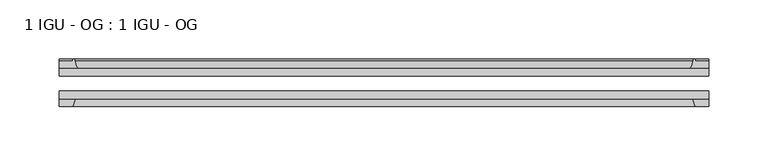
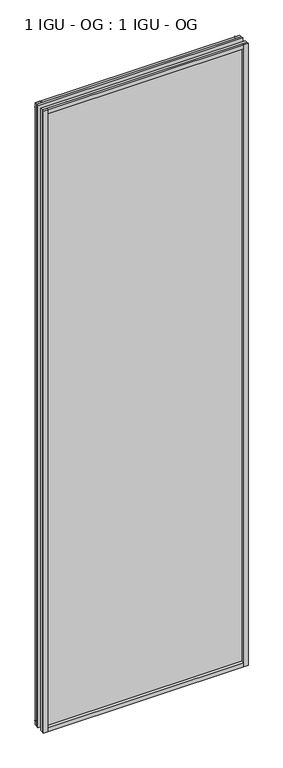
"""IFC4 building model written with IfcOpenShell, lengths in millimetres: plate geometry, 1 IGU - OG : 1 IGU - OG."""

from ifc_helpers import new_model, si_unit, point, frame, frame_2d, origin, place, context, project, spatial, polyline, circle_curve, trimmed, segment, composite_curve, outline, extrude, source, transform, mapped, element, save


def plate_1_igu_og_1_igu_og_2b685127(model_context):
    return source(origin(), model_context, "Body", "SweptSolid", [
        extrude(outline(polyline([(273.1261935, -31.75), (273.1261935, -38.1), (-273.1261935, -38.1), (-273.1261935, -31.75), (273.1261935, -31.75)])), frame((0.0, 0.0, -11.1125), z_axis=(0.0, 0.0, 1.0), x_axis=(1.0, 0.0, 0.0)), (0.0, 0.0, 1.0), 1755.775),
        extrude(outline(polyline([(-273.1261935, -12.7), (273.1261935, -12.7), (273.1261935, -19.05), (-273.1261935, -19.05), (-273.1261935, -12.7)])), frame((0.0, 0.0, -11.1125), z_axis=(0.0, 0.0, 1.0), x_axis=(1.0, 0.0, 0.0)), (0.0, 0.0, 1.0), 1755.775),
        extrude(outline(composite_curve([segment(polyline([(-257.7904026, -12.7), (-273.1261935, -12.7), (-273.1261935, -6.35), (-262.0136935, -6.35), (-262.0136935, -4.7751661), (-261.0842795, -4.7751661)]), True, "CONTINUOUS"), segment(trimmed(circle_curve(frame_2d((-261.0842795, -5.5371661)), 0.762), [point((-261.0842795, -4.7751661))], [point((-260.3420696, -5.364631))], False, "CARTESIAN"), True, "CONTINUOUS"), segment(trimmed(circle_curve(frame_2d((-224.7128514, 2.9177851)), 36.5792237), [point((-260.3420696, -5.364631))], [point((-257.7904026, -12.7))], True, "CARTESIAN"), True, "CONTINUOUS")], self_intersect=False)), frame((0.0, 0.0, -11.1125), z_axis=(0.0, 0.0, 1.0), x_axis=(1.0, 0.0, 0.0)), (0.0, 0.0, 1.0), 1755.775),
        extrude(outline(polyline([(-273.1261935, -38.1), (-259.9084164, -38.1), (-262.0136935, -44.45), (-273.1261935, -44.45), (-273.1261935, -38.1)])), frame((0.0, 0.0, -11.1125), z_axis=(0.0, 0.0, 1.0), x_axis=(1.0, 0.0, 0.0)), (0.0, 0.0, 1.0), 1755.775),
        extrude(outline(composite_curve([segment(trimmed(circle_curve(frame_2d((261.0842795, -5.5371661)), 0.762), [point((260.3420696, -5.364631))], [point((261.0842795, -4.7751661))], False, "CARTESIAN"), True, "CONTINUOUS"), segment(polyline([(261.0842795, -4.7751661), (262.0136935, -4.7751661), (262.0136935, -6.35), (273.1261935, -6.35), (273.1261935, -12.7), (257.7904026, -12.7)]), True, "CONTINUOUS"), segment(trimmed(circle_curve(frame_2d((224.7128514, 2.9177851)), 36.5792237), [point((257.7904026, -12.7))], [point((260.3420696, -5.364631))], True, "CARTESIAN"), True, "CONTINUOUS")], self_intersect=False)), frame((0.0, 0.0, -11.1125), z_axis=(0.0, 0.0, 1.0), x_axis=(1.0, 0.0, 0.0)), (0.0, 0.0, 1.0), 1755.775),
        extrude(outline(polyline([(259.9084164, -38.1), (273.1261935, -38.1), (273.1261935, -44.45), (262.0136935, -44.45), (259.9084164, -38.1)])), frame((0.0, 0.0, -11.1125), z_axis=(0.0, 0.0, 1.0), x_axis=(1.0, 0.0, 0.0)), (0.0, 0.0, 1.0), 1755.775),
        extrude(outline(composite_curve([segment(polyline([(-12.7, -11.1125), (-12.7, 4.2232909)]), True, "CONTINUOUS"), segment(trimmed(circle_curve(frame_2d((2.9177851, 37.3008421)), 36.5792237), [point((-12.7, 4.2232909))], [point((-5.364631, 1.6716239))], True, "CARTESIAN"), True, "CONTINUOUS"), segment(trimmed(circle_curve(frame_2d((-5.5371661, 0.929414)), 0.762), [point((-5.364631, 1.6716239))], [point((-4.7751661, 0.929414))], False, "CARTESIAN"), True, "CONTINUOUS"), segment(polyline([(-4.7751661, 0.929414), (-4.7751661, 0.0), (-6.35, 0.0), (-6.35, -11.1125), (-12.7, -11.1125)]), True, "CONTINUOUS")], self_intersect=False)), frame((-273.1261935, 0.0, 0.0), z_axis=(1.0, 0.0, 0.0), x_axis=(0.0, 1.0, 0.0)), (0.0, 0.0, 1.0), 546.252387),
        extrude(outline(polyline([(-38.1, 2.1052771), (-38.1, -11.1125), (-44.45, -11.1125), (-44.45, 0.0), (-38.1, 2.1052771)])), frame((-273.1261935, 0.0, 0.0), z_axis=(1.0, 0.0, 0.0), x_axis=(0.0, 1.0, 0.0)), (0.0, 0.0, 1.0), 546.252387),
        extrude(outline(composite_curve([segment(trimmed(circle_curve(frame_2d((2.9177851, 1696.2491579)), 36.5792237), [point((-5.364631, 1731.8783761))], [point((-12.7, 1729.3267091))], True, "CARTESIAN"), True, "CONTINUOUS"), segment(polyline([(-12.7, 1729.3267091), (-12.7, 1744.6625), (-6.35, 1744.6625), (-6.35, 1733.55), (-4.7751661, 1733.55), (-4.7751661, 1732.620586)]), True, "CONTINUOUS"), segment(trimmed(circle_curve(frame_2d((-5.5371661, 1732.620586)), 0.762), [point((-4.7751661, 1732.620586))], [point((-5.364631, 1731.8783761))], False, "CARTESIAN"), True, "CONTINUOUS")], self_intersect=False)), frame((-273.1261935, 0.0, 0.0), z_axis=(1.0, 0.0, 0.0), x_axis=(0.0, 1.0, 0.0)), (0.0, 0.0, 1.0), 546.252387),
        extrude(outline(polyline([(-38.1, 1744.6625), (-38.1, 1731.4447229), (-44.45, 1733.55), (-44.45, 1744.6625), (-38.1, 1744.6625)])), frame((-273.1261935, 0.0, 0.0), z_axis=(1.0, 0.0, 0.0), x_axis=(0.0, 1.0, 0.0)), (0.0, 0.0, 1.0), 546.252387),
    ])


if __name__ == "__main__":
    model = new_model("IFC4")
    model_context = context("Model", 3, world=origin())
    ifc_project = project(units=[si_unit("LENGTHUNIT", "METRE", prefix="MILLI")], contexts=[model_context])
    site = spatial("IfcSite", under=ifc_project)
    building = spatial("IfcBuilding", under=site)
    placement = place(None, origin())
    plate_1_igu_og_1_igu_og_shape = plate_1_igu_og_1_igu_og_2b685127(model_context)
    element("IfcPlate", 1, ObjectType="1 IGU - OG : 1 IGU - OG", at=placement, inside=building, context=model_context, shape_type="MappedRepresentation", body=[
        mapped(plate_1_igu_og_1_igu_og_shape, transform((0.0, 0.0, 0.0), x_axis=(1.0, 0.0, 0.0), y_axis=(0.0, 1.0, 0.0), z_axis=(0.0, 0.0, 1.0))),
    ])
    save(model, "model.ifc")
